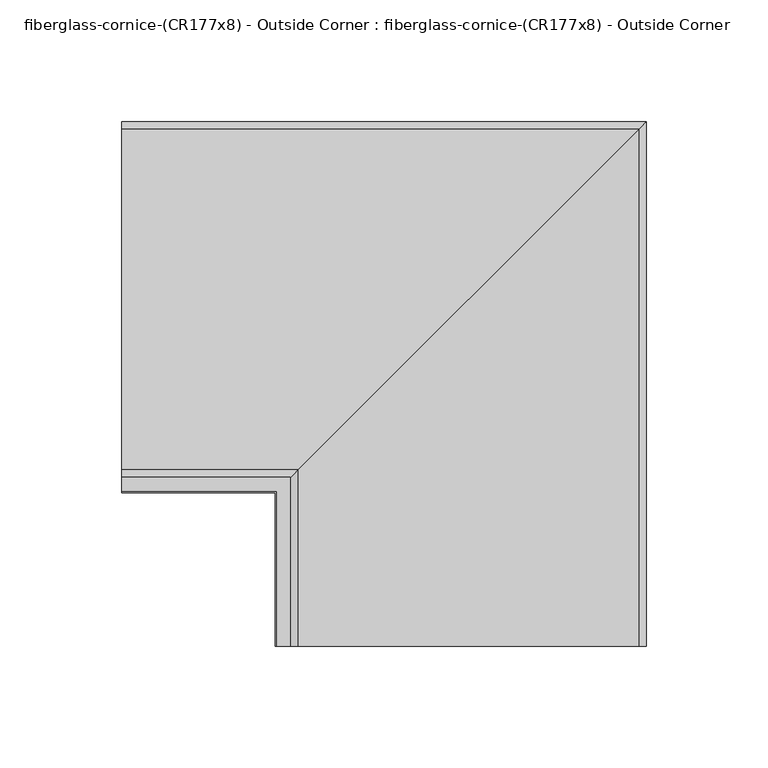
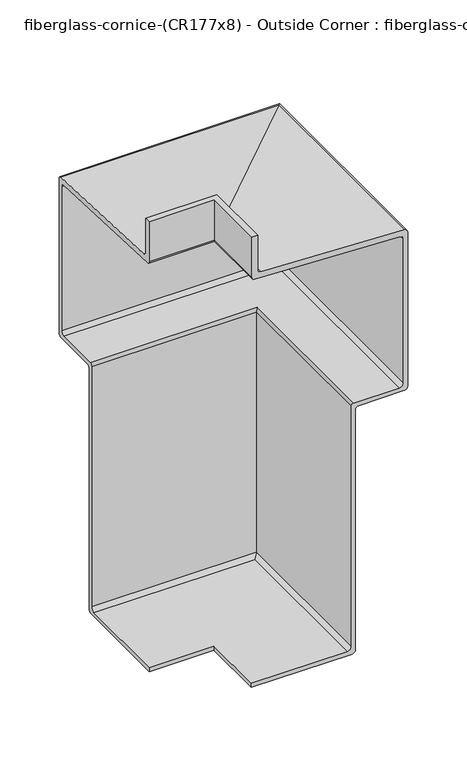
"""IFC4 building model written with IfcOpenShell, lengths in millimetres: furniture geometry, fiberglass-cornice-(CR177x8) - Outside Corner : fiberglass-cornice-(CR177x8) - Outside Corner."""

from ifc_helpers import new_model, si_unit, frame, origin, place, context, project, spatial, polyline, circle_curve, ellipse_curve, source, transform, mapped, element, save
from ifc_brep_helpers import plane_surface, cylinder_surface, revolved_surface, advanced_brep


def fiberglass_cornice_cr177x8_outside_corner_fiberglass_cornice_cbffa0f4(model_context):
    return source(origin(), model_context, "Body", "AdvancedBrep", [
        advanced_brep(
        [(-196.9488213, 101.6, 330.1999904), (-196.9488213, 107.315, 330.1999904), (-196.9488213, 107.315, 294.8808703), (-196.9488213, 110.357823, 291.7086228), (-196.9488213, 250.322177, 285.8767747), (-196.9488213, 253.365, 282.7045272), (-196.9488213, 253.365, 123.5526185), (-196.9488213, 250.19, 120.3776185), (-196.9488213, 205.74, 120.3776185), (-196.9488213, 202.565, 117.2026185), (-196.9488213, 202.565, -130.4473815), (-196.9488213, 199.39, -133.6223815), (-196.9488213, 100.965, -133.6223815), (-196.9488213, 100.965, -129.4948815), (-196.9488213, 194.6275, -129.4948815), (-196.9488213, 198.4375, -125.6848815), (-196.9488213, 198.4375, 121.9651185), (-196.9488213, 200.9775, 124.5051185), (-196.9488213, 245.4275, 124.5051185), (-196.9488213, 249.2375, 128.3151185), (-196.9488213, 249.2375, 276.5529647), (-196.9488213, 245.5861124, 280.3596617), (-196.9488213, 104.0342584, 286.2576556), (-196.9488213, 101.6, 288.7954536), (-133.3496026, 38.0007813, 330.1999904), (-133.3496026, 38.0007813, 288.7954536), (-130.9153442, 38.0007813, 286.2576556), (10.6365098, 38.0007813, 280.3596617), (14.2878974, 38.0007813, 276.5529647), (14.2878974, 38.0007813, 128.3151185), (10.4778974, 38.0007813, 124.5051185), (-33.9721026, 38.0007813, 124.5051185), (-36.5121026, 38.0007813, 121.9651185), (-36.5121026, 38.0007813, -125.6848815), (-40.3221026, 38.0007813, -129.4948815), (-133.9846026, 38.0007813, -129.4948815), (-133.9846026, 38.0007813, -133.6223815), (-35.5596026, 38.0007813, -133.6223815), (-32.3846026, 38.0007813, -130.4473815), (-32.3846026, 38.0007813, 117.2026185), (-29.2096026, 38.0007813, 120.3776185), (15.2403974, 38.0007813, 120.3776185), (18.4153974, 38.0007813, 123.5526185), (18.4153974, 38.0007813, 282.7045272), (15.3725744, 38.0007813, 285.8767747), (-124.5917796, 38.0007813, 291.7086228), (-127.6346026, 38.0007813, 294.8808703), (-127.6346026, 38.0007813, 330.1999904), (-133.3496026, 101.6, 330.1999904), (-127.6346026, 107.315, 330.1999904), (-127.6346026, 107.315, 294.8808703), (-124.5917796, 110.357823, 291.7086228), (15.3725744, 250.322177, 285.8767747), (18.4153974, 253.365, 282.7045272), (18.4153974, 253.365, 123.5526185), (15.2403974, 250.19, 120.3776185), (-29.2096026, 205.74, 120.3776185), (-32.3846026, 202.565, 117.2026185), (-32.3846026, 202.565, -130.4473815), (-35.5596026, 199.39, -133.6223815), (-133.9846026, 100.965, -133.6223815), (-133.9846026, 100.965, -129.4948815), (-40.3221026, 194.6275, -129.4948815), (-36.5121026, 198.4375, -125.6848815), (-36.5121026, 198.4375, 121.9651185), (-33.9721026, 200.9775, 124.5051185), (10.4778974, 245.4275, 124.5051185), (14.2878974, 249.2375, 128.3151185), (14.2878974, 249.2375, 276.5529647), (10.6365098, 245.5861124, 280.3596617), (-130.9153442, 104.0342584, 286.2576556), (-133.3496026, 101.6, 288.7954536)],
        [
            (0, 1),
            (1, 2),
            (2, 3, circle_curve(frame((-196.9488213, 110.49, 294.8808703), z_axis=(1.0, 0.0, 0.0), x_axis=(0.0, 1.0, 0.0)), 3.175)),
            (3, 4),
            (4, 5, circle_curve(frame((-196.9488213, 250.19, 282.7045272), z_axis=(-1.0, 0.0, 0.0), x_axis=(0.0, 1.0, 0.0)), 3.175)),
            (5, 6),
            (6, 7, circle_curve(frame((-196.9488213, 250.19, 123.5526185), z_axis=(-1.0, 0.0, 0.0), x_axis=(0.0, 1.0, 0.0)), 3.175)),
            (7, 8),
            (8, 9, circle_curve(frame((-196.9488213, 205.74, 117.2026185), z_axis=(1.0, 0.0, 0.0), x_axis=(0.0, 1.0, 0.0)), 3.175)),
            (9, 10),
            (10, 11, circle_curve(frame((-196.9488213, 199.39, -130.4473815), z_axis=(-1.0, 0.0, 0.0), x_axis=(0.0, 1.0, 0.0)), 3.175)),
            (11, 12),
            (12, 13),
            (13, 14),
            (14, 15, circle_curve(frame((-196.9488213, 194.6275, -125.6848815), z_axis=(1.0, 0.0, 0.0), x_axis=(0.0, 1.0, 0.0)), 3.81)),
            (15, 16),
            (16, 17, circle_curve(frame((-196.9488213, 200.9775, 121.9651185), z_axis=(-1.0, 0.0, 0.0), x_axis=(0.0, 1.0, 0.0)), 2.54)),
            (17, 18),
            (18, 19, circle_curve(frame((-196.9488213, 245.4275, 128.3151185), z_axis=(1.0, 0.0, 0.0), x_axis=(0.0, 1.0, 0.0)), 3.81)),
            (19, 20),
            (20, 21, circle_curve(frame((-196.9488213, 245.4275, 276.5529647), z_axis=(1.0, 0.0, 0.0), x_axis=(0.0, 1.0, 0.0)), 3.81)),
            (21, 22),
            (22, 23, circle_curve(frame((-196.9488213, 104.14, 288.7954536), z_axis=(-1.0, 0.0, 0.0), x_axis=(0.0, 1.0, 0.0)), 2.54)),
            (23, 0),
            (24, 25),
            (25, 26, circle_curve(frame((-130.8096026, 38.0007813, 288.7954536), z_axis=(0.0, -1.0, 0.0), x_axis=(1.0, 0.0, 0.0)), 2.54)),
            (26, 27),
            (27, 28, circle_curve(frame((10.4778974, 38.0007813, 276.5529647), z_axis=(0.0, 1.0, 0.0), x_axis=(1.0, 0.0, 0.0)), 3.81)),
            (28, 29),
            (29, 30, circle_curve(frame((10.4778974, 38.0007813, 128.3151185), z_axis=(0.0, 1.0, 0.0), x_axis=(1.0, 0.0, 0.0)), 3.81)),
            (30, 31),
            (31, 32, circle_curve(frame((-33.9721026, 38.0007813, 121.9651185), z_axis=(0.0, -1.0, 0.0), x_axis=(1.0, 0.0, 0.0)), 2.54)),
            (32, 33),
            (33, 34, circle_curve(frame((-40.3221026, 38.0007813, -125.6848815), z_axis=(0.0, 1.0, 0.0), x_axis=(1.0, 0.0, 0.0)), 3.81)),
            (34, 35),
            (35, 36),
            (36, 37),
            (37, 38, circle_curve(frame((-35.5596026, 38.0007813, -130.4473815), z_axis=(0.0, -1.0, 0.0), x_axis=(1.0, 0.0, 0.0)), 3.175)),
            (38, 39),
            (39, 40, circle_curve(frame((-29.2096026, 38.0007813, 117.2026185), z_axis=(0.0, 1.0, 0.0), x_axis=(1.0, 0.0, 0.0)), 3.175)),
            (40, 41),
            (41, 42, circle_curve(frame((15.2403974, 38.0007813, 123.5526185), z_axis=(0.0, -1.0, 0.0), x_axis=(1.0, 0.0, 0.0)), 3.175)),
            (42, 43),
            (43, 44, circle_curve(frame((15.2403974, 38.0007813, 282.7045272), z_axis=(0.0, -1.0, 0.0), x_axis=(1.0, 0.0, 0.0)), 3.175)),
            (44, 45),
            (45, 46, circle_curve(frame((-124.4596026, 38.0007813, 294.8808703), z_axis=(0.0, 1.0, 0.0), x_axis=(1.0, 0.0, 0.0)), 3.175)),
            (46, 47),
            (47, 24),
            (0, 48),
            (48, 24),
            (47, 49),
            (49, 1),
            (49, 50),
            (50, 2),
            (50, 51, ellipse_curve(frame((-124.4596026, 110.49, 294.8808703), z_axis=(0.7071067811865563, -0.7071067811865387, 0.0), x_axis=(0.7071067811865387, 0.7071067811865565, 0.0)), 4.4901281, 3.175)),
            (51, 3),
            (51, 52),
            (52, 4),
            (52, 53, ellipse_curve(frame((15.2403974, 250.19, 282.7045272), z_axis=(-0.7071067811865563, 0.7071067811865387, 0.0), x_axis=(-0.7071067811865387, -0.7071067811865565, 0.0)), 4.4901281, 3.175)),
            (53, 5),
            (53, 54),
            (54, 6),
            (54, 55, ellipse_curve(frame((15.2403974, 250.19, 123.5526185), z_axis=(-0.7071067811865563, 0.7071067811865387, 0.0), x_axis=(-0.7071067811865387, -0.7071067811865565, 0.0)), 4.4901281, 3.175)),
            (55, 7),
            (55, 41),
            (40, 56),
            (56, 8),
            (56, 57, ellipse_curve(frame((-29.2096026, 205.74, 117.2026185), z_axis=(0.7071067811865563, -0.7071067811865387, 0.0), x_axis=(0.7071067811865387, 0.7071067811865565, 0.0)), 4.4901281, 3.175)),
            (57, 9),
            (57, 58),
            (58, 10),
            (58, 59, ellipse_curve(frame((-35.5596026, 199.39, -130.4473815), z_axis=(-0.7071067811865563, 0.7071067811865387, 0.0), x_axis=(-0.7071067811865387, -0.7071067811865565, 0.0)), 4.4901281, 3.175)),
            (59, 11),
            (59, 37),
            (36, 60),
            (60, 12),
            (60, 61),
            (61, 13),
            (61, 35),
            (34, 62),
            (62, 14),
            (62, 63, ellipse_curve(frame((-40.3221026, 194.6275, -125.6848815), z_axis=(0.7071067811865563, -0.7071067811865387, 0.0), x_axis=(0.7071067811865387, 0.7071067811865565, 0.0)), 5.3881537, 3.81)),
            (63, 15),
            (63, 64),
            (64, 16),
            (64, 65, ellipse_curve(frame((-33.9721026, 200.9775, 121.9651185), z_axis=(-0.7071067811865563, 0.7071067811865387, 0.0), x_axis=(-0.7071067811865387, -0.7071067811865565, 0.0)), 3.5921024, 2.54)),
            (65, 17),
            (65, 31),
            (30, 66),
            (66, 18),
            (66, 67, ellipse_curve(frame((10.4778974, 245.4275, 128.3151185), z_axis=(0.7071067811865563, -0.7071067811865387, 0.0), x_axis=(0.7071067811865387, 0.7071067811865565, 0.0)), 5.3881537, 3.81)),
            (67, 19),
            (67, 68),
            (68, 20),
            (68, 69, ellipse_curve(frame((10.4778974, 245.4275, 276.5529647), z_axis=(0.7071067811865563, -0.7071067811865387, 0.0), x_axis=(0.7071067811865387, 0.7071067811865565, 0.0)), 5.3881537, 3.81)),
            (69, 21),
            (69, 70),
            (70, 22),
            (70, 71, ellipse_curve(frame((-130.8096026, 104.14, 288.7954536), z_axis=(-0.7071067811865563, 0.7071067811865387, 0.0), x_axis=(-0.7071067811865387, -0.7071067811865565, 0.0)), 3.5921024, 2.54)),
            (71, 23),
            (71, 48),
            (46, 50),
            (45, 51),
            (44, 52),
            (43, 53),
            (42, 54),
            (39, 57),
            (38, 58),
            (33, 63),
            (32, 64),
            (29, 67),
            (28, 68),
            (27, 69),
            (26, 70),
            (25, 71),
        ],
        [
            plane_surface(frame((-196.9488213, 101.6, 330.1999904), z_axis=(-1.0, 0.0, 0.0), x_axis=(0.0, 0.0, 1.0))),
            plane_surface(frame((-133.3496026, 38.0007813, 330.1999904), z_axis=(0.0, -1.0, 0.0), x_axis=(0.0, 0.0, 1.0))),
            plane_surface(frame((-196.9488213, 101.6, 330.1999904), z_axis=(0.0, 0.0, 1.0), x_axis=(1.0, 0.0, 0.0))),
            plane_surface(frame((-196.9488213, 107.315, 330.1999904), z_axis=(0.0, 1.0, 0.0), x_axis=(1.0, 0.0, 0.0))),
            revolved_surface(polyline([(-121.28460257209377, 113.66499999999999, 294.8808703), (-196.9488213, 113.66499999999999, 294.8808703)]), (-196.9488213, 110.49, 294.8808703), (1.0, 0.0, 0.0)),
            plane_surface(frame((-196.9488213, 110.357823, 291.7086228), z_axis=(0.0, 0.041630544712177316, 0.9991330730923521), x_axis=(1.0, 0.0, 0.0))),
            cylinder_surface(frame((-196.9488213, 250.19, 282.7045272), z_axis=(-1.0, 0.0, 0.0), x_axis=(0.0, 1.0, 0.0)), 3.175),
            plane_surface(frame((-196.9488213, 253.365, 282.7045272), z_axis=(0.0, 1.0, 0.0), x_axis=(1.0, 0.0, 0.0))),
            cylinder_surface(frame((-196.9488213, 250.19, 123.5526185), z_axis=(-1.0, 0.0, 0.0), x_axis=(0.0, 1.0, 0.0)), 3.175),
            plane_surface(frame((-196.9488213, 250.19, 120.3776185), z_axis=(0.0, 0.0, -1.0), x_axis=(1.0, 0.0, 0.0))),
            revolved_surface(polyline([(-26.034602572093775, 208.91500000000002, 117.2026185), (-196.9488213, 208.91500000000002, 117.2026185)]), (-196.9488213, 205.74, 117.2026185), (1.0, 0.0, 0.0)),
            plane_surface(frame((-196.9488213, 202.565, 117.2026185), z_axis=(0.0, 1.0, 0.0), x_axis=(1.0, 0.0, 0.0))),
            cylinder_surface(frame((-196.9488213, 199.39, -130.4473815), z_axis=(-1.0, 0.0, 0.0), x_axis=(0.0, 1.0, 0.0)), 3.175),
            plane_surface(frame((-196.9488213, 199.39, -133.6223815), z_axis=(0.0, 0.0, -1.0), x_axis=(1.0, 0.0, 0.0))),
            plane_surface(frame((-196.9488213, 100.965, -133.6223815), z_axis=(0.0, -1.0, 0.0), x_axis=(1.0, 0.0, 0.0))),
            plane_surface(frame((-196.9488213, 100.965, -129.4948815), z_axis=(0.0, 0.0, 1.0), x_axis=(1.0, 0.0, 0.0))),
            revolved_surface(polyline([(-36.51210258065464, 198.4375, -125.6848815), (-196.9488213, 198.4375, -125.6848815)]), (-196.9488213, 194.6275, -125.6848815), (1.0, 0.0, 0.0)),
            plane_surface(frame((-196.9488213, 198.4375, -125.6848815), z_axis=(0.0, -1.0, 0.0), x_axis=(1.0, 0.0, 0.0))),
            cylinder_surface(frame((-196.9488213, 200.9775, 121.9651185), z_axis=(-1.0, 0.0, 0.0), x_axis=(0.0, 1.0, 0.0)), 2.54),
            plane_surface(frame((-196.9488213, 200.9775, 124.5051185), z_axis=(0.0, 0.0, 1.0), x_axis=(1.0, 0.0, 0.0))),
            revolved_surface(polyline([(14.287897419345342, 249.2375, 128.3151185), (-196.9488213, 249.2375, 128.3151185)]), (-196.9488213, 245.4275, 128.3151185), (1.0, 0.0, 0.0)),
            plane_surface(frame((-196.9488213, 249.2375, 128.3151185), z_axis=(0.0, -1.0, 0.0), x_axis=(1.0, 0.0, 0.0))),
            revolved_surface(polyline([(14.287897419345342, 249.2375, 276.5529647), (-196.9488213, 249.2375, 276.5529647)]), (-196.9488213, 245.4275, 276.5529647), (1.0, 0.0, 0.0)),
            plane_surface(frame((-196.9488213, 245.5861124, 280.3596617), z_axis=(0.0, -0.041630544712189764, -0.9991330730923517), x_axis=(1.0, 0.0, 0.0))),
            cylinder_surface(frame((-196.9488213, 104.14, 288.7954536), z_axis=(-1.0, 0.0, 0.0), x_axis=(0.0, 1.0, 0.0)), 2.54),
            plane_surface(frame((-196.9488213, 101.6, 288.7954536), z_axis=(0.0, -1.0, 0.0), x_axis=(1.0, 0.0, 0.0))),
            plane_surface(frame((-127.6346026, 107.315, 330.1999904), z_axis=(1.0, 0.0, 0.0), x_axis=(0.0, -1.0, 0.0))),
            revolved_surface(polyline([(-121.2846026, 38.0007813, 294.8808703), (-121.2846026, 113.6650000279063, 294.8808703)]), (-124.4596026, 101.6, 294.8808703), (0.0, -1.0, 0.0)),
            plane_surface(frame((-124.5917796, 110.357823, 291.7086228), z_axis=(0.04163054471217732, 0.0, 0.9991330730923521), x_axis=(0.0, -1.0, 0.0))),
            cylinder_surface(frame((15.2403974, 101.6, 282.7045272), z_axis=(0.0, 1.0, 0.0), x_axis=(1.0, 0.0, 0.0)), 3.175),
            plane_surface(frame((18.4153974, 253.365, 282.7045272), z_axis=(1.0, 0.0, 0.0), x_axis=(0.0, -1.0, 0.0))),
            cylinder_surface(frame((15.2403974, 101.6, 123.5526185), z_axis=(0.0, 1.0, 0.0), x_axis=(1.0, 0.0, 0.0)), 3.175),
            revolved_surface(polyline([(-26.0346026, 38.0007813, 117.2026185), (-26.0346026, 208.91500002790633, 117.2026185)]), (-29.2096026, 101.6, 117.2026185), (0.0, -1.0, 0.0)),
            plane_surface(frame((-32.3846026, 202.565, 117.2026185), z_axis=(1.0, 0.0, 0.0), x_axis=(0.0, -1.0, 0.0))),
            cylinder_surface(frame((-35.5596026, 101.6, -130.4473815), z_axis=(0.0, 1.0, 0.0), x_axis=(1.0, 0.0, 0.0)), 3.175),
            plane_surface(frame((-133.9846026, 100.965, -133.6223815), z_axis=(-1.0, 0.0, 0.0), x_axis=(0.0, -1.0, 0.0))),
            revolved_surface(polyline([(-36.5121026, 38.0007813, -125.6848815), (-36.5121026, 198.43750001934544, -125.6848815)]), (-40.3221026, 101.6, -125.6848815), (0.0, -1.0, 0.0)),
            plane_surface(frame((-36.5121026, 198.4375, -125.6848815), z_axis=(-1.0, 0.0, 0.0), x_axis=(0.0, -1.0, 0.0))),
            cylinder_surface(frame((-33.9721026, 101.6, 121.9651185), z_axis=(0.0, 1.0, 0.0), x_axis=(1.0, 0.0, 0.0)), 2.54),
            revolved_surface(polyline([(14.2878974, 38.0007813, 128.3151185), (14.2878974, 249.23750001934545, 128.3151185)]), (10.4778974, 101.6, 128.3151185), (0.0, -1.0, 0.0)),
            plane_surface(frame((14.2878974, 249.2375, 128.3151185), z_axis=(-1.0, 0.0, 0.0), x_axis=(0.0, -1.0, 0.0))),
            revolved_surface(polyline([(14.2878974, 38.0007813, 276.5529647), (14.2878974, 249.23750001934545, 276.5529647)]), (10.4778974, 101.6, 276.5529647), (0.0, -1.0, 0.0)),
            plane_surface(frame((10.6365098, 245.5861124, 280.3596617), z_axis=(-0.04163054471218977, 0.0, -0.9991330730923517), x_axis=(0.0, -1.0, 0.0))),
            cylinder_surface(frame((-130.8096026, 101.6, 288.7954536), z_axis=(0.0, 1.0, 0.0), x_axis=(1.0, 0.0, 0.0)), 2.54),
            plane_surface(frame((-133.3496026, 101.6, 288.7954536), z_axis=(-1.0, 0.0, 0.0), x_axis=(0.0, -1.0, 0.0))),
        ],
        [
            (0, [[1, 2, 3, 4, 5, 6, 7, 8, 9, 10, 11, 12, 13, 14, 15, 16, 17, 18, 19, 20, 21, 22, 23, 24]]),
            (1, [[25, 26, 27, 28, 29, 30, 31, 32, 33, 34, 35, 36, 37, 38, 39, 40, 41, 42, 43, 44, 45, 46, 47, 48]]),
            (2, [[-1, 49, 50, -48, 51, 52]]),
            (3, [[-2, -52, 53, 54]]),
            (4, [[-3, -54, 55, 56]]),
            (5, [[-4, -56, 57, 58]]),
            (6, [[-5, -58, 59, 60]]),
            (7, [[-6, -60, 61, 62]]),
            (8, [[-7, -62, 63, 64]]),
            (9, [[-8, -64, 65, -41, 66, 67]]),
            (10, [[-9, -67, 68, 69]]),
            (11, [[-10, -69, 70, 71]]),
            (12, [[-11, -71, 72, 73]]),
            (13, [[-12, -73, 74, -37, 75, 76]]),
            (14, [[-13, -76, 77, 78]]),
            (15, [[-14, -78, 79, -35, 80, 81]]),
            (16, [[-15, -81, 82, 83]]),
            (17, [[-16, -83, 84, 85]]),
            (18, [[-17, -85, 86, 87]]),
            (19, [[-18, -87, 88, -31, 89, 90]]),
            (20, [[-19, -90, 91, 92]]),
            (21, [[-20, -92, 93, 94]]),
            (22, [[-21, -94, 95, 96]]),
            (23, [[-22, -96, 97, 98]]),
            (24, [[-23, -98, 99, 100]]),
            (25, [[-24, -100, 101, -49]]),
            (26, [[-53, -51, -47, 102]]),
            (27, [[-55, -102, -46, 103]]),
            (28, [[-57, -103, -45, 104]]),
            (29, [[-59, -104, -44, 105]]),
            (30, [[-61, -105, -43, 106]]),
            (31, [[-63, -106, -42, -65]]),
            (32, [[-68, -66, -40, 107]]),
            (33, [[-70, -107, -39, 108]]),
            (34, [[-72, -108, -38, -74]]),
            (35, [[-77, -75, -36, -79]]),
            (36, [[-82, -80, -34, 109]]),
            (37, [[-84, -109, -33, 110]]),
            (38, [[-86, -110, -32, -88]]),
            (39, [[-91, -89, -30, 111]]),
            (40, [[-93, -111, -29, 112]]),
            (41, [[-95, -112, -28, 113]]),
            (42, [[-97, -113, -27, 114]]),
            (43, [[-99, -114, -26, 115]]),
            (44, [[-101, -115, -25, -50]]),
        ],
    ),
    ])


if __name__ == "__main__":
    model = new_model("IFC4")
    model_context = context("Model", 3, world=origin())
    ifc_project = project(units=[si_unit("LENGTHUNIT", "METRE", prefix="MILLI")], contexts=[model_context])
    site = spatial("IfcSite", under=ifc_project)
    building = spatial("IfcBuilding", under=site)
    placement = place(None, origin())
    fiberglass_cornice_cr177x8_outside_corner_fiberglass_cornice_shape = fiberglass_cornice_cr177x8_outside_corner_fiberglass_cornice_cbffa0f4(model_context)
    element("IfcFurniture", 1, ObjectType="fiberglass-cornice-(CR177x8) - Outside Corner : fiberglass-cornice-(CR177x8) - Outside Corner", at=placement, inside=building, context=model_context, shape_type="MappedRepresentation", body=[
        mapped(fiberglass_cornice_cr177x8_outside_corner_fiberglass_cornice_shape, transform((0.0, 0.0, 0.0), x_axis=(1.0, 0.0, 0.0), y_axis=(0.0, 1.0, 0.0), z_axis=(0.0, 0.0, 1.0))),
    ])
    save(model, "model.ifc")
